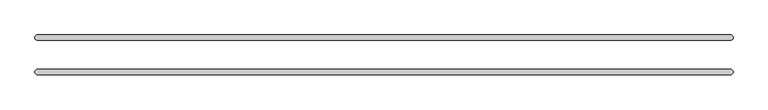
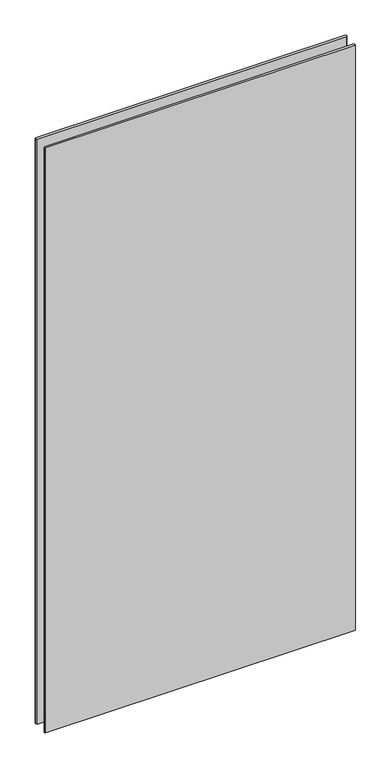
"""IFC4 building model written with IfcOpenShell, lengths in millimetres: plate geometry."""

import ifcopenshell
import ifcopenshell.guid

model = None  # the IFC model being written
_history = None  # IfcOwnerHistory: only IFC2X3 demands one
_inside = {}  # id of a spatial element -> (the spatial element, [elements in it])
_under = {}  # id of a project, library or spatial element -> (it, [spatial elements below it])
_declared = {}  # id of a project -> (the project, [libraries it declares])
_typed = {}  # id of a type object -> (the type object, [elements of that type])
_made_of = {}  # id of a material, layer set ... -> (it, [elements and type objects made of it])


def new_model(schema):
    """Start an empty IFC model of exactly this schema.

    Asked for "IFC4X3", IfcOpenShell would pick the latest addendum, in which some entities
    have other attributes; the version numbers below select the first issue.
    IFC2X3 requires an IfcOwnerHistory on every rooted entity: one is made here for all.
    """
    global model, _history
    if schema == "IFC4X3":
        model = ifcopenshell.file(schema_version=(4, 3, 0, 0))
    else:
        model = ifcopenshell.file(schema=schema)
    _inside.clear()
    _under.clear()
    _declared.clear()
    _typed.clear()
    _made_of.clear()
    _history = None
    if model.schema == "IFC2X3":
        org = make("IfcOrganization", Name="unknown")
        user = make(
            "IfcPersonAndOrganization",
            ThePerson=make("IfcPerson", FamilyName="unknown"),
            TheOrganization=org,
        )
        app = make(
            "IfcApplication",
            ApplicationDeveloper=org,
            Version="unknown",
            ApplicationFullName="unknown",
            ApplicationIdentifier="unknown",
        )
        _history = make(
            "IfcOwnerHistory",
            OwningUser=user,
            OwningApplication=app,
            ChangeAction="ADDED",
            CreationDate=0,
        )
    return model


def make(cls, **values):
    """One entity of the class cls with the attributes given. An attribute that is None is left unset."""
    return model.create_entity(
        cls, **{name: value for name, value in values.items() if value is not None}
    )


def rooted(cls, **values):
    """An entity with a GlobalId (a new one), such as an element, a storey or a relation."""
    return make(cls, GlobalId=ifcopenshell.guid.new(), OwnerHistory=_history, **values)


def si_unit(unit_type, name, prefix=None):
    """IfcSIUnit, for example si_unit("LENGTHUNIT", "METRE", prefix="MILLI")."""
    return make("IfcSIUnit", UnitType=unit_type, Prefix=prefix, Name=name)


def assignment(units):
    """IfcUnitAssignment: the units of a project."""
    return None if units is None else make("IfcUnitAssignment", Units=units)


def point(xyz):
    """IfcCartesianPoint."""
    return None if xyz is None else make("IfcCartesianPoint", Coordinates=xyz)


def direction(xyz):
    """IfcDirection."""
    return None if xyz is None else make("IfcDirection", DirectionRatios=xyz)


def frame(location, z_axis=None, x_axis=None):
    """IfcAxis2Placement3D, a coordinate frame: its origin and axes. An axis left out is left unset."""
    return make(
        "IfcAxis2Placement3D",
        Location=point(location),
        Axis=direction(z_axis),
        RefDirection=direction(x_axis),
    )


def origin():
    """The frame at (0, 0, 0) with its axes left unset."""
    return frame((0.0, 0.0, 0.0))


def origin_with_axes():
    """The frame at (0, 0, 0) with the z axis (0, 0, 1) and the x axis (1, 0, 0) written out."""
    return frame((0.0, 0.0, 0.0), z_axis=(0.0, 0.0, 1.0), x_axis=(1.0, 0.0, 0.0))


def place(relative_to, where):
    """IfcLocalPlacement: puts the frame where relative to a parent placement (None: the world)."""
    return make(
        "IfcLocalPlacement", PlacementRelTo=relative_to, RelativePlacement=where
    )


def context(
    kind, dimensions, precision=None, world=None, true_north=None, identifier=None
):
    """IfcGeometricRepresentationContext, for example the 3D "Model" context."""
    return make(
        "IfcGeometricRepresentationContext",
        ContextIdentifier=identifier,
        ContextType=kind,
        CoordinateSpaceDimension=dimensions,
        Precision=precision,
        WorldCoordinateSystem=world,
        TrueNorth=true_north,
    )


def project(units=None, contexts=None):
    """IfcProject with its units and contexts."""
    return rooted(
        "IfcProject",
        Name="project",
        RepresentationContexts=contexts,
        UnitsInContext=assignment(units),
    )


def spatial(cls, under=None, at=None, **own):
    """A site, building, storey or space (cls), placed at a placement, below another one or the project."""
    s = rooted(cls, ObjectPlacement=at, **own)
    if under is not None:
        _under.setdefault(under.id(), (under, []))[1].append(s)
    return s


def polyline(points):
    """IfcPolyline through the points."""
    return make("IfcPolyline", Points=[point(p) for p in points])


def outline(outer, holes=None, kind="AREA"):
    """IfcArbitraryClosedProfileDef: a profile drawn as a closed curve; with holes, ...WithVoids."""
    if holes is None:
        return make("IfcArbitraryClosedProfileDef", ProfileType=kind, OuterCurve=outer)
    return make(
        "IfcArbitraryProfileDefWithVoids",
        ProfileType=kind,
        OuterCurve=outer,
        InnerCurves=holes,
    )


def extrude(swept, where, along, depth):
    """IfcExtrudedAreaSolid: the profile swept, set in the frame where, extruded along a direction by depth."""
    return make(
        "IfcExtrudedAreaSolid",
        SweptArea=swept,
        Position=where,
        ExtrudedDirection=direction(along),
        Depth=depth,
    )


def shape(context_of_items, identifier, shape_type, items):
    """IfcShapeRepresentation: the items that make up one representation, for example the "Body"."""
    return make(
        "IfcShapeRepresentation",
        ContextOfItems=context_of_items,
        RepresentationIdentifier=identifier,
        RepresentationType=shape_type,
        Items=items,
    )


def source(mapping_origin, context_of_items, identifier, shape_type, items):
    """IfcRepresentationMap: a shape defined once, which mapped items show again and again."""
    return make(
        "IfcRepresentationMap",
        MappingOrigin=mapping_origin,
        MappedRepresentation=shape(context_of_items, identifier, shape_type, items),
    )


def transform(
    local_origin,
    x_axis=None,
    y_axis=None,
    z_axis=None,
    scale=None,
    scale2=None,
    scale3=None,
    uniform=True,
):
    """IfcCartesianTransformationOperator3D, or its non-uniform kind. x_axis, y_axis, z_axis: its Axis1, 2, 3."""
    if uniform:
        return make(
            "IfcCartesianTransformationOperator3D",
            Axis1=direction(x_axis),
            Axis2=direction(y_axis),
            LocalOrigin=point(local_origin),
            Scale=scale,
            Axis3=direction(z_axis),
        )
    return make(
        "IfcCartesianTransformationOperator3DnonUniform",
        Axis1=direction(x_axis),
        Axis2=direction(y_axis),
        LocalOrigin=point(local_origin),
        Scale=scale,
        Axis3=direction(z_axis),
        Scale2=scale2,
        Scale3=scale3,
    )


def mapped(mapping_source, mapping_target):
    """IfcMappedItem: shows the shape of a source again, moved by a transform."""
    return make(
        "IfcMappedItem", MappingSource=mapping_source, MappingTarget=mapping_target
    )


def made_of(thing, what):
    """Note that an element or type object is made of a material, layer set ...; save() writes the relation."""
    if what is not None:
        _made_of.setdefault(what.id(), (what, []))[1].append(thing)
    return thing


def element(
    cls,
    number,
    at=None,
    inside=None,
    cuts=None,
    type_object=None,
    material=None,
    context=None,
    identifier="Body",
    shape_type=None,
    held_by="IfcProductDefinitionShape",
    body=None,
    shapes=None,
    **own,
):
    """One element of the class cls, such as IfcWall. Its Tag is "e" and its number.

    at: its placement. inside: the storey or other place that contains it. cuts: it is an
    opening in that element (IfcRelVoidsElement). A single representation is given by context,
    identifier, shape_type and body (its items); several are given by shapes. held_by: the class
    of the entity that holds the representations. save() writes the other relations.
    """
    e = rooted(cls, Tag="e%d" % number, ObjectPlacement=at, **own)
    if body is not None:
        shapes = [shape(context, identifier, shape_type, body)]
    if shapes is not None:
        e.Representation = make(held_by, Representations=shapes)
    if inside is not None:
        _inside.setdefault(inside.id(), (inside, []))[1].append(e)
    if cuts is not None:
        rooted(
            "IfcRelVoidsElement", RelatingBuildingElement=cuts, RelatedOpeningElement=e
        )
    if type_object is not None:
        _typed.setdefault(type_object.id(), (type_object, []))[1].append(e)
    return made_of(e, material)


def aggregate(whole, parts):
    """IfcRelAggregates: a whole, such as a stair, and the parts it consists of."""
    return rooted("IfcRelAggregates", RelatingObject=whole, RelatedObjects=parts)


def save(model, path):
    """Write the relations noted so far, then the file.

    IfcRelAggregates (storeys below a building ...), IfcRelContainedInSpatialStructure (elements
    in a storey), IfcRelDefinesByType, IfcRelAssociatesMaterial and IfcRelDeclares: one each for
    every whole, place, type object, material and project.
    """
    for whole, parts in _under.values():
        aggregate(whole, parts)
    for where, things in _inside.values():
        rooted(
            "IfcRelContainedInSpatialStructure",
            RelatedElements=things,
            RelatingStructure=where,
        )
    for kind, things in _typed.values():
        rooted("IfcRelDefinesByType", RelatedObjects=things, RelatingType=kind)
    for what, things in _made_of.values():
        rooted("IfcRelAssociatesMaterial", RelatedObjects=things, RelatingMaterial=what)
    for by, libraries in _declared.values():
        rooted("IfcRelDeclares", RelatingContext=by, RelatedDefinitions=libraries)
    model.write(path)


def plate_48853b0f(model_context):
    return source(origin(), model_context, "Body", "SweptSolid", [
        extrude(outline(polyline([(608.0125, 34.925), (611.1875, 31.75), (611.1875, 28.575), (608.0125, 25.4), (-608.0125, 25.4), (-611.1875, 28.575), (-611.1875, 31.75), (-608.0125, 34.925), (608.0125, 34.925)])), origin_with_axes(), (0.0, 0.0, 1.0), 2428.7789267),
        extrude(outline(polyline([(608.0125, -25.4), (611.1875, -28.575), (611.1875, -31.75), (608.0125, -34.925), (-608.0125, -34.925), (-611.1875, -31.75), (-611.1875, -28.575), (-608.0125, -25.4), (608.0125, -25.4)])), origin_with_axes(), (0.0, 0.0, 1.0), 2428.7789267),
    ])


if __name__ == "__main__":
    model = new_model("IFC4")
    model_context = context("Model", 3, world=origin())
    ifc_project = project(units=[si_unit("LENGTHUNIT", "METRE", prefix="MILLI")], contexts=[model_context])
    site = spatial("IfcSite", under=ifc_project)
    building = spatial("IfcBuilding", under=site)
    placement = place(None, origin())
    plate_shape = plate_48853b0f(model_context)
    element("IfcPlate", 1, at=placement, inside=building, context=model_context, shape_type="MappedRepresentation", body=[
        mapped(plate_shape, transform((0.0, 0.0, 0.0), x_axis=(1.0, 0.0, 0.0), y_axis=(0.0, 1.0, 0.0), z_axis=(0.0, 0.0, 1.0))),
    ])
    save(model, "model.ifc")
